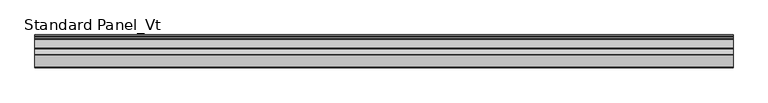
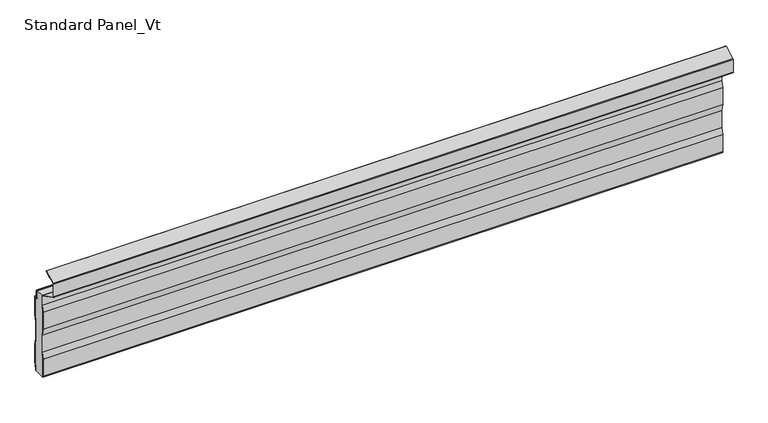
"""IFC4 building model written with IfcOpenShell, lengths in millimetres: proxy geometry, Standard Panel_Vt."""

from ifc_helpers import new_model, si_unit, point, frame, frame_2d, origin, place, context, project, spatial, polyline, circle_curve, trimmed, segment, composite_curve, outline, extrude, source, transform, mapped, element, save
from ifc_brep_helpers import plane_surface, cylinder_surface, revolved_surface, advanced_brep


def standard_panel_vt_4dd1e0eb(model_context):
    return source(origin(), model_context, "Body", "SolidModel", [
        extrude(outline(composite_curve([segment(polyline([(-30.0, 2.6758967), (-29.5491903, 0.0), (-30.3604638, 0.0), (-30.8, 2.60898), (-30.8, 40.8180247), (-28.3, 55.6574178), (-28.3, 93.7695869), (-30.8, 108.60898), (-30.8, 146.8180247), (-28.3, 161.6574178), (-28.3, 181.8040392)]), True, "CONTINUOUS"), segment(trimmed(circle_curve(frame_2d((-30.6, 181.8040392)), 2.3), [point((-28.3, 181.8040392))], [point((-29.5733338, 183.8621832))], True, "CARTESIAN"), True, "CONTINUOUS"), segment(polyline([(-29.5733338, 183.8621832), (-68.0679093, 203.0644748)]), True, "CONTINUOUS"), segment(trimmed(circle_curve(frame_2d((-67.041243, 205.1226188)), 2.3), [point((-68.0679093, 203.0644748))], [point((-69.341243, 205.1226188))], False, "CARTESIAN"), True, "CONTINUOUS"), segment(polyline([(-69.341243, 205.1226188), (-69.341243, 233.2773812)]), True, "CONTINUOUS"), segment(trimmed(circle_curve(frame_2d((-67.041243, 233.2773812)), 2.3), [point((-69.341243, 233.2773812))], [point((-68.0688066, 235.3350773))], False, "CARTESIAN"), True, "CONTINUOUS"), segment(polyline([(-68.0688066, 235.3350773), (-43.2174495, 247.7452431)]), True, "CONTINUOUS"), segment(trimmed(circle_curve(frame_2d((-42.8600361, 247.0295227)), 0.8), [point((-43.2174495, 247.7452431))], [point((-42.5026227, 246.3138024))], False, "CARTESIAN"), True, "CONTINUOUS"), segment(polyline([(-42.5026227, 246.3138024), (-55.2066593, 239.9697142), (-55.5640727, 240.6854346), (-67.7113932, 234.6193569)]), True, "CONTINUOUS"), segment(trimmed(circle_curve(frame_2d((-67.041243, 233.2773812)), 1.5), [point((-67.7113932, 234.6193569))], [point((-68.541243, 233.2773812))], True, "CARTESIAN"), True, "CONTINUOUS"), segment(polyline([(-68.541243, 233.2773812), (-68.541243, 205.1226188)]), True, "CONTINUOUS"), segment(trimmed(circle_curve(frame_2d((-67.041243, 205.1226188)), 1.5), [point((-68.541243, 205.1226188))], [point((-67.710808, 203.780351))], True, "CARTESIAN"), True, "CONTINUOUS"), segment(polyline([(-67.710808, 203.780351), (-29.2162325, 184.5780593)]), True, "CONTINUOUS"), segment(trimmed(circle_curve(frame_2d((-30.6, 181.8040392)), 3.1), [point((-29.2162325, 184.5780593))], [point((-27.5, 181.8040392))], False, "CARTESIAN"), True, "CONTINUOUS"), segment(polyline([(-27.5, 181.8040392), (-27.5, 161.5905011), (-30.0, 146.751108), (-30.0, 108.6758967), (-27.5, 93.8365036), (-27.5, 55.5905011), (-30.0, 40.751108), (-30.0, 2.6758967)]), True, "CONTINUOUS")], self_intersect=False)), frame((-723.9042608, 0.0, 0.0), z_axis=(1.0, 0.0, 0.0), x_axis=(0.0, 1.0, 0.0)), (0.0, 0.0, 1.0), 1447.8085217),
        extrude(outline(composite_curve([segment(polyline([(-3.3, 3.6266429), (-3.3, 0.0), (-4.1, 0.0), (-4.1, 3.6928529), (-1.6, 18.6928529), (-1.6, 56.5604329), (-4.1, 71.5604329), (-4.1, 109.6928529), (-1.6, 124.6928529), (-1.6, 165.8009611), (-4.1204106, 164.1655843)]), True, "CONTINUOUS"), segment(trimmed(circle_curve(frame_2d((-5.1001721, 165.6755735)), 1.8), [point((-4.1204106, 164.1655843))], [point((-6.9001721, 165.6755735))], False, "CARTESIAN"), True, "CONTINUOUS"), segment(polyline([(-6.9001721, 165.6755735), (-6.9001721, 181.2616436)]), True, "CONTINUOUS"), segment(trimmed(circle_curve(frame_2d((-8.2001714, 181.2616436)), 1.2999993), [point((-6.9001721, 181.2616436))], [point((-8.2001714, 182.5616429))], True, "CARTESIAN"), True, "CONTINUOUS"), segment(polyline([(-8.2001714, 182.5616429), (-10.2001722, 182.5616429), (-10.2001722, 183.3616429), (-8.2001714, 183.3616429)]), True, "CONTINUOUS"), segment(trimmed(circle_curve(frame_2d((-8.2001714, 181.2616436)), 2.0999993), [point((-8.2001714, 183.3616429))], [point((-6.1001721, 181.2616436))], False, "CARTESIAN"), True, "CONTINUOUS"), segment(polyline([(-6.1001721, 181.2616436), (-6.1001721, 165.6755735)]), True, "CONTINUOUS"), segment(trimmed(circle_curve(frame_2d((-5.1001721, 165.6755735)), 1.0), [point((-6.1001721, 165.6755735))], [point((-4.5558601, 164.8366906))], True, "CARTESIAN"), True, "CONTINUOUS"), segment(polyline([(-4.5558601, 164.8366906), (-2.3443119, 166.271661)]), True, "CONTINUOUS"), segment(trimmed(circle_curve(frame_2d((-1.8, 165.4327781)), 1.0), [point((-2.3443119, 166.271661))], [point((-0.8, 165.4327781))], False, "CARTESIAN"), True, "CONTINUOUS"), segment(polyline([(-0.8, 165.4327781), (-0.8, 124.6266429), (-3.3, 109.6266429), (-3.3, 71.6266429), (-0.8, 56.6266429), (-0.8, 18.6266429), (-3.3, 3.6266429)]), True, "CONTINUOUS")], self_intersect=False)), frame((-723.9042608, 0.0, 0.0), z_axis=(1.0, 0.0, 0.0), x_axis=(0.0, 1.0, 0.0)), (0.0, 0.0, 1.0), 1447.8085217),
        advanced_brep(
        [(-723.9042608, -27.9622719, 183.4326554), (-723.9042608, -10.2001722, 183.4), (-723.9042608, -10.2001722, 182.5616429), (-723.9042608, -8.2001714, 182.5616429), (-723.9042608, -6.9001721, 181.2616436), (-723.9042608, -6.9001721, 165.6755735), (-723.9042608, -4.1204106, 164.1655843), (-723.9042608, -1.6, 165.8009611), (-723.9042608, -1.6, 124.6928529), (-723.9042608, -4.1, 109.6928529), (-723.9042608, -4.1, 71.5604329), (-723.9042608, -1.6, 56.5604329), (-723.9042608, -1.6, 18.6928529), (-723.9042608, -4.1, 3.6928529), (-723.9042608, -4.1, 0.0), (-723.9042608, -29.5491903, 0.0), (-723.9042608, -30.0, 2.6758967), (-723.9042608, -30.0, 40.751108), (-723.9042608, -27.5, 55.5905011), (-723.9042608, -27.5, 93.8365036), (-723.9042608, -30.0, 108.6758967), (-723.9042608, -30.0, 146.751108), (-723.9042608, -27.5, 161.5905011), (-723.9042608, -27.5, 181.8040392), (723.9042608, -30.0, 2.6758967), (723.9042608, -29.5491903, 0.0), (723.9042608, -4.1, 0.0), (723.9042608, -4.1, 3.6928529), (723.9042608, -1.6, 18.6928529), (723.9042608, -1.6, 56.5604329), (723.9042608, -4.1, 71.5604329), (723.9042608, -4.1, 109.6928529), (723.9042608, -1.6, 124.6928529), (723.9042608, -1.6, 165.8009611), (723.9042608, -4.1204106, 164.1655843), (723.9042608, -6.9001721, 165.6755735), (723.9042608, -6.9001721, 181.2616436), (723.9042608, -8.2001714, 182.5616429), (723.9042608, -10.2001722, 182.5616429), (723.9042608, -10.2001722, 183.4), (723.9042608, -27.9622719, 183.4326554), (723.9042608, -27.5, 181.8040392), (723.9042608, -27.5, 161.5905011), (723.9042608, -30.0, 146.751108), (723.9042608, -30.0, 108.6758967), (723.9042608, -27.5, 93.8365036), (723.9042608, -27.5, 55.5905011), (723.9042608, -30.0, 40.751108)],
        [
            (0, 1),
            (1, 2),
            (2, 3),
            (3, 4, circle_curve(frame((-723.9042608, -8.2001714, 181.2616436), z_axis=(-1.0, 0.0, 0.0), x_axis=(0.0, 0.0, -1.0)), 1.2999993)),
            (4, 5),
            (5, 6, circle_curve(frame((-723.9042608, -5.1001721, 165.6755735), z_axis=(1.0, 0.0, 0.0), x_axis=(0.0, 0.0, -1.0)), 1.8)),
            (6, 7),
            (7, 8),
            (8, 9),
            (9, 10),
            (10, 11),
            (11, 12),
            (12, 13),
            (13, 14),
            (14, 15),
            (15, 16),
            (16, 17),
            (17, 18),
            (18, 19),
            (19, 20),
            (20, 21),
            (21, 22),
            (22, 23),
            (23, 0, circle_curve(frame((-723.9042608, -30.6, 181.8040392), z_axis=(1.0, 0.0, 0.0), x_axis=(0.0, 0.0, -1.0)), 3.1)),
            (24, 25),
            (25, 26),
            (26, 27),
            (27, 28),
            (28, 29),
            (29, 30),
            (30, 31),
            (31, 32),
            (32, 33),
            (33, 34),
            (34, 35, circle_curve(frame((723.9042608, -5.1001721, 165.6755735), z_axis=(-1.0, 0.0, 0.0), x_axis=(0.0, 0.0, -1.0)), 1.8)),
            (35, 36),
            (36, 37, circle_curve(frame((723.9042608, -8.2001714, 181.2616436), z_axis=(1.0, 0.0, 0.0), x_axis=(0.0, 0.0, -1.0)), 1.2999993)),
            (37, 38),
            (38, 39),
            (39, 40),
            (40, 41, circle_curve(frame((723.9042608, -30.6, 181.8040392), z_axis=(-1.0, 0.0, 0.0), x_axis=(0.0, 0.0, -1.0)), 3.1)),
            (41, 42),
            (42, 43),
            (43, 44),
            (44, 45),
            (45, 46),
            (46, 47),
            (47, 24),
            (23, 41),
            (40, 0),
            (22, 42),
            (21, 43),
            (20, 44),
            (19, 45),
            (18, 46),
            (17, 47),
            (16, 24),
            (15, 25),
            (38, 2),
            (1, 39),
            (26, 14),
            (13, 27),
            (12, 28),
            (11, 29),
            (10, 30),
            (9, 31),
            (8, 32),
            (7, 33),
            (6, 34),
            (5, 35),
            (4, 36),
            (3, 37),
        ],
        [
            plane_surface(frame((-723.9042608, -30.0, -280.8), z_axis=(-1.0, 0.0, 0.0), x_axis=(0.0, 1.0, 0.0))),
            plane_surface(frame((723.9042608, -30.0, -280.8), z_axis=(1.0, 0.0, 0.0), x_axis=(0.0, 1.0, 0.0))),
            revolved_surface(polyline([(723.9042608, -30.6, 178.7040392), (-723.9042608, -30.6, 178.7040392)]), (-723.9042608, -30.6, 181.8040392), (1.0, 0.0, 0.0)),
            plane_surface(frame((-723.9042608, -27.5, 181.8040392), z_axis=(0.0, -1.0, 0.0), x_axis=(1.0, 0.0, 0.0))),
            plane_surface(frame((-723.9042608, -27.5, 161.5905011), z_axis=(0.0, -0.9861039564577478, 0.16612942863435207), x_axis=(1.0, 0.0, 0.0))),
            plane_surface(frame((-723.9042608, -30.0, 146.751108), z_axis=(0.0, -1.0, 0.0), x_axis=(1.0, 0.0, 0.0))),
            plane_surface(frame((-723.9042608, -30.0, 108.6758967), z_axis=(0.0, -0.986103956457715, -0.16612942863454708), x_axis=(1.0, 0.0, 0.0))),
            plane_surface(frame((-723.9042608, -27.5, 93.8365036), z_axis=(0.0, -1.0, 0.0), x_axis=(1.0, 0.0, 0.0))),
            plane_surface(frame((-723.9042608, -27.5, 55.5905011), z_axis=(0.0, -0.9861039564577201, 0.1661294286345171), x_axis=(1.0, 0.0, 0.0))),
            plane_surface(frame((-723.9042608, -30.0, 40.751108), z_axis=(0.0, -1.0, 0.0), x_axis=(1.0, 0.0, 0.0))),
            plane_surface(frame((-723.9042608, -30.0, 2.6758967), z_axis=(0.0, -0.986103956457715, -0.16612942863454708), x_axis=(1.0, 0.0, 0.0))),
            plane_surface(frame((723.9042608, -10.2001722, 183.4), z_axis=(0.0, 1.0, 0.0), x_axis=(-1.0, 0.0, 0.0))),
            plane_surface(frame((-723.9042608, -4.1, -34.4395671), z_axis=(0.0, 1.0, 0.0), x_axis=(1.0, 0.0, 0.0))),
            plane_surface(frame((-723.9042608, -4.1, 3.6928529), z_axis=(0.0, 0.9863939238321462, -0.1643989873053435), x_axis=(1.0, 0.0, 0.0))),
            plane_surface(frame((-723.9042608, -1.6, 18.6928529), z_axis=(0.0, 1.0, 0.0), x_axis=(1.0, 0.0, 0.0))),
            plane_surface(frame((-723.9042608, -1.6, 56.5604329), z_axis=(0.0, 0.9863939238321415, 0.16439898730537109), x_axis=(1.0, 0.0, 0.0))),
            plane_surface(frame((-723.9042608, -4.1, 71.5604329), z_axis=(0.0, 1.0, 0.0), x_axis=(1.0, 0.0, 0.0))),
            plane_surface(frame((-723.9042608, -4.1, 109.6928529), z_axis=(0.0, 0.9863939238321769, -0.16439898730515876), x_axis=(1.0, 0.0, 0.0))),
            plane_surface(frame((-723.9042608, -1.6, 124.6928529), z_axis=(0.0, 1.0, 0.0), x_axis=(1.0, 0.0, 0.0))),
            plane_surface(frame((-723.9042608, -1.6, 165.8009611), z_axis=(0.0, -0.5443119480359504, 0.8388828900539747), x_axis=(1.0, 0.0, 0.0))),
            revolved_surface(polyline([(723.9042608, -5.1001721, 163.8755735), (-723.9042608, -5.1001721, 163.8755735)]), (-723.9042608, -5.1001721, 165.6755735), (1.0, 0.0, 0.0)),
            plane_surface(frame((-723.9042608, -6.9001721, 165.6755735), z_axis=(0.0, 1.0, 0.0), x_axis=(1.0, 0.0, 0.0))),
            cylinder_surface(frame((-723.9042608, -8.2001714, 181.2616436), z_axis=(-1.0, 0.0, 0.0), x_axis=(0.0, 0.0, -1.0)), 1.2999993),
            plane_surface(frame((-723.9042608, -8.2001714, 182.5616429), z_axis=(0.0, 0.0, 1.0), x_axis=(1.0, 0.0, 0.0))),
            plane_surface(frame((723.9042608, -130.0, 0.0), z_axis=(0.0, 0.0, -1.0), x_axis=(-1.0, 0.0, 0.0))),
            plane_surface(frame((-723.9042608, -25.05, 183.4326554), z_axis=(0.0, 0.0, 1.0), x_axis=(1.0, 0.0, 0.0))),
        ],
        [
            (0, [[1, 2, 3, 4, 5, 6, 7, 8, 9, 10, 11, 12, 13, 14, 15, 16, 17, 18, 19, 20, 21, 22, 23, 24]]),
            (1, [[25, 26, 27, 28, 29, 30, 31, 32, 33, 34, 35, 36, 37, 38, 39, 40, 41, 42, 43, 44, 45, 46, 47, 48]]),
            (2, [[49, -41, 50, -24]]),
            (3, [[51, -42, -49, -23]]),
            (4, [[52, -43, -51, -22]]),
            (5, [[53, -44, -52, -21]]),
            (6, [[54, -45, -53, -20]]),
            (7, [[55, -46, -54, -19]]),
            (8, [[56, -47, -55, -18]]),
            (9, [[57, -48, -56, -17]]),
            (10, [[-16, 58, -25, -57]]),
            (11, [[-39, 59, -2, 60]]),
            (12, [[-27, 61, -14, 62]]),
            (13, [[63, -28, -62, -13]]),
            (14, [[64, -29, -63, -12]]),
            (15, [[65, -30, -64, -11]]),
            (16, [[66, -31, -65, -10]]),
            (17, [[67, -32, -66, -9]]),
            (18, [[68, -33, -67, -8]]),
            (19, [[69, -34, -68, -7]]),
            (20, [[70, -35, -69, -6]]),
            (21, [[71, -36, -70, -5]]),
            (22, [[72, -37, -71, -4]]),
            (23, [[-59, -38, -72, -3]]),
            (24, [[-61, -26, -58, -15]]),
            (25, [[-40, -60, -1, -50]]),
        ],
    ),
    ])


if __name__ == "__main__":
    model = new_model("IFC4")
    model_context = context("Model", 3, world=origin())
    ifc_project = project(units=[si_unit("LENGTHUNIT", "METRE", prefix="MILLI")], contexts=[model_context])
    site = spatial("IfcSite", under=ifc_project)
    building = spatial("IfcBuilding", under=site)
    placement = place(None, origin())
    standard_panel_vt_shape = standard_panel_vt_4dd1e0eb(model_context)
    element("IfcBuildingElementProxy", 1, Name="Standard Panel_Vt", ObjectType="Standard Panel_Vt", at=placement, inside=building, context=model_context, shape_type="MappedRepresentation", body=[
        mapped(standard_panel_vt_shape, transform((0.0, 0.0, 0.0), x_axis=(1.0, 0.0, 0.0), y_axis=(0.0, 1.0, 0.0), z_axis=(0.0, 0.0, 1.0))),
    ])
    save(model, "model.ifc")
